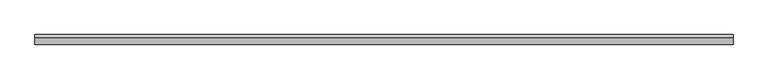
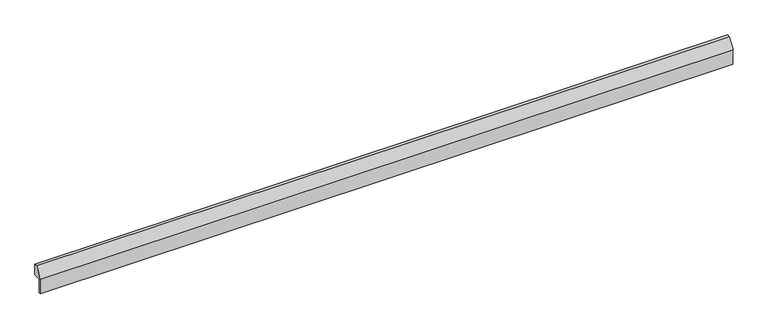
"""IFC4 building model written with IfcOpenShell, lengths in millimetres: proxy geometry."""

from ifc_helpers import new_model, si_unit, frame, origin, place, context, project, spatial, polyline, outline, extrude, source, transform, mapped, element, save


def generic_models_5c6cd65b(model_context):
    return source(origin(), model_context, "Body", "SweptSolid", [
        extrude(outline(polyline([(-7903.1289687, 6578.0295818), (-7903.1289687, 7386.4109944), (-7931.8939756, 7405.6081356), (-7573.1289687, 7943.1818182), (-7423.1289687, 7943.1818182), (-7423.1289687, 7350.0), (-7823.1289687, 7350.0), (-7823.1289687, 6578.0295818), (-7903.1289687, 6578.0295818)])), frame((-20916.9563501, 0.0, 0.0), z_axis=(1.0, 0.0, 0.0), x_axis=(0.0, 1.0, 0.0)), (0.0, 0.0, 1.0), 36860.0),
    ])


if __name__ == "__main__":
    model = new_model("IFC4")
    model_context = context("Model", 3, world=origin())
    ifc_project = project(units=[si_unit("LENGTHUNIT", "METRE", prefix="MILLI")], contexts=[model_context])
    site = spatial("IfcSite", under=ifc_project)
    building = spatial("IfcBuilding", under=site)
    placement = place(None, origin())
    generic_models_shape = generic_models_5c6cd65b(model_context)
    element("IfcBuildingElementProxy", 1, Name="Generic Models", at=placement, inside=building, context=model_context, shape_type="MappedRepresentation", body=[
        mapped(generic_models_shape, transform((0.0, 0.0, 0.0), x_axis=(1.0, 0.0, 0.0), y_axis=(0.0, 1.0, 0.0), z_axis=(0.0, 0.0, 1.0))),
    ])
    save(model, "model.ifc")
